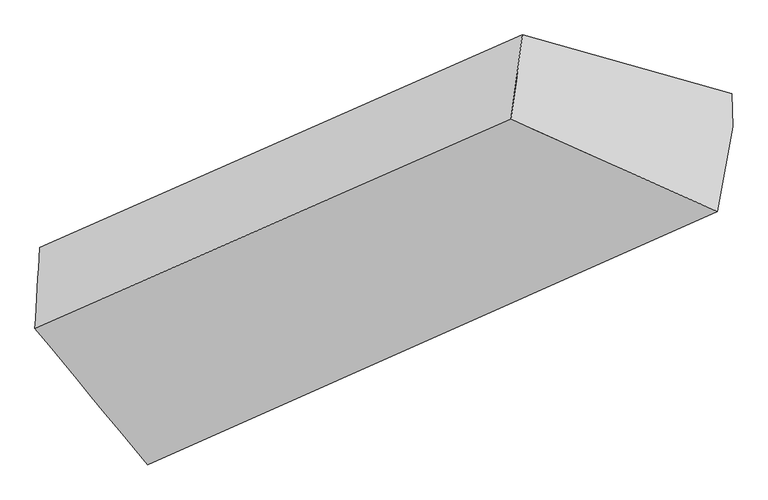
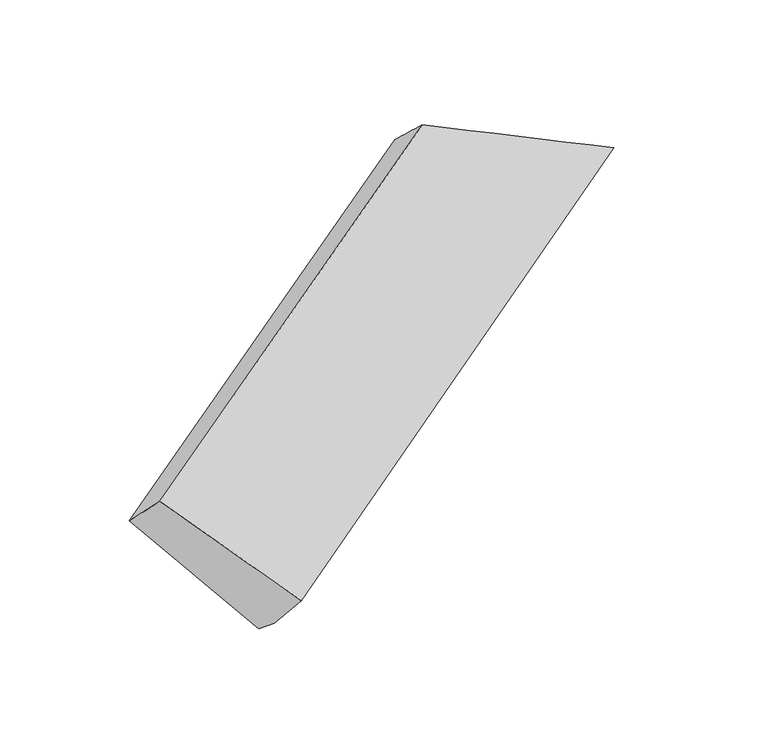
"""IFC4 building model written with IfcOpenShell, lengths in millimetres: proxy geometry."""

from ifc_helpers import new_model, si_unit, frame, origin, place, context, project, spatial, source, transform, mapped, element, save
from ifc_brep_helpers import plane_surface, spline_surface, advanced_brep


def generic_models_94fb3d4a(model_context):
    return source(origin(), model_context, "Body", "AdvancedBrep", [
        advanced_brep(
        [(-3965.9432069, -1599.2838845, 1557.5636596), (-3982.9912028, -1878.0023277, 1828.0270211), (-2335.9021216, -1155.3688496, 2679.2615978), (-2296.8886961, -863.0119821, 2414.9761407), (-3566.6821323, -1959.1028199, 1101.3335334), (-1572.4485338, -1066.1412357, 2143.0846962), (-3563.8822359, -2079.5860527, 1198.8063562), (-1569.7805924, -1180.9462687, 2235.9637664), (-3592.7702606, -2351.0435015, 1485.7088743), (-1622.1102768, -1473.8604214, 2508.7789858)],
        [
            (0, 1),
            (1, 2),
            (2, 3),
            (3, 0),
            (4, 0),
            (0, 5),
            (5, 4),
            (6, 4),
            (5, 7),
            (7, 6),
            (8, 6),
            (7, 9),
            (9, 8),
            (1, 8),
            (9, 2),
            (5, 3),
        ],
        [
            spline_surface(1, 1, [[(-3965.9432069, -1599.2838845, 1557.5636596), (-2296.8886961, -863.0119821, 2414.9761407)], [(-3982.9912028, -1878.0023277, 1828.0270211), (-2335.9021216, -1155.3688496, 2679.2615978)]], [2, 2], [2, 2], [0.0, 1.0], [0.0, 1.0]),
            plane_surface(frame((-3766.3126696, -1779.1933522, 1329.4485965), z_axis=(-0.01907585153230343, 0.7768588249548138, -0.6293857942296948), x_axis=(-0.5663277654018962, 0.5103814686317091, 0.6471349307619199))),
            plane_surface(frame((-3565.2821841, -2019.3444363, 1150.0699448), z_axis=(0.5665029727217689, -0.5103032381355821, -0.6470432652039106), x_axis=(-0.0180638479786919, 0.7773111797034157, -0.6288569211706961))),
            spline_surface(1, 1, [[(-3592.7702606, -2351.0435015, 1485.7088743), (-1622.1102768, -1473.8604214, 2508.7789858)], [(-3563.8822359, -2079.5860527, 1198.8063562), (-1569.7805924, -1180.9462687, 2235.9637664)]], [2, 2], [2, 2], [0.0, 1.0], [0.0, 1.0]),
            spline_surface(1, 1, [[(-3982.9912028, -1878.0023277, 1828.0270211), (-2335.9021216, -1155.3688496, 2679.2615978)], [(-3592.7702606, -2351.0435015, 1485.7088743), (-1622.1102768, -1473.8604214, 2508.7789858)]], [2, 2], [2, 2], [0.0, 1.0], [0.0, 1.0]),
            plane_surface(frame((-1879.4260441, -1147.8657515, 2396.4130374), z_axis=(0.4238543706403334, 0.5756007696819184, 0.6993076765134717), x_axis=(-0.0180638479786919, 0.7773111797034157, -0.6288569211706961))),
            plane_surface(frame((-3734.4538077, -1973.4037173, 1434.2878889), z_axis=(-0.823982135444111, -0.3678288819368151, -0.4309934501614559), x_axis=(0.04385358715041737, 0.7169642496548534, -0.695729205661868))),
            plane_surface(frame((-3965.9432069, -1599.2838845, 1557.5636596), z_axis=(-0.018791878480345303, 0.7763213201345305, -0.6300571983619899), x_axis=(-0.9055502028519953, 0.25391156698675316, 0.33986430566483705))),
        ],
        [
            (0, [[1, 2, 3, 4]]),
            (1, [[5, 6, 7]]),
            (2, [[8, -7, 9, 10]]),
            (3, [[11, -10, 12, 13]]),
            (4, [[14, -13, 15, -2]]),
            (5, [[-9, 16, -3, -15, -12]]),
            (6, [[-1, -5, -8, -11, -14]]),
            (7, [[-16, -6, -4]]),
        ],
    ),
    ])


if __name__ == "__main__":
    model = new_model("IFC4")
    model_context = context("Model", 3, world=origin())
    ifc_project = project(units=[si_unit("LENGTHUNIT", "METRE", prefix="MILLI")], contexts=[model_context])
    site = spatial("IfcSite", under=ifc_project)
    building = spatial("IfcBuilding", under=site)
    placement = place(None, origin())
    generic_models_shape = generic_models_94fb3d4a(model_context)
    element("IfcBuildingElementProxy", 1, Name="Generic Models", at=placement, inside=building, context=model_context, shape_type="MappedRepresentation", body=[
        mapped(generic_models_shape, transform((0.0, 0.0, 0.0), x_axis=(1.0, 0.0, 0.0), y_axis=(0.0, 1.0, 0.0), z_axis=(0.0, 0.0, 1.0))),
    ])
    save(model, "model.ifc")
